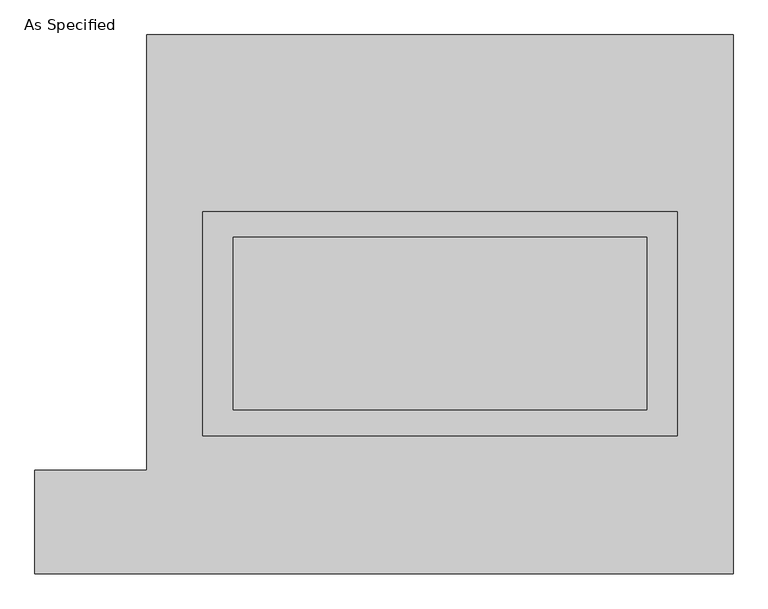
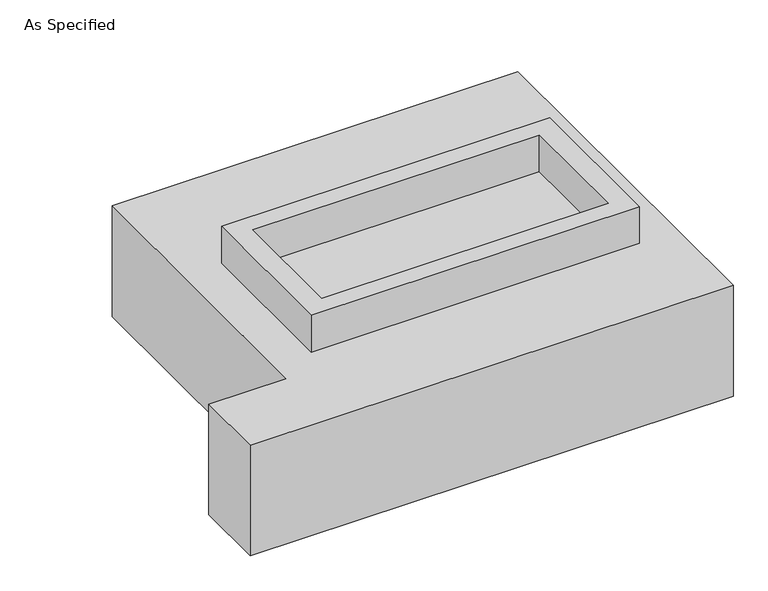
"""IFC4 building model written with IfcOpenShell, lengths in millimetres: proxy geometry, As Specified."""

import ifcopenshell
import ifcopenshell.guid

model = None  # the IFC model being written
_history = None  # IfcOwnerHistory: only IFC2X3 demands one
_inside = {}  # id of a spatial element -> (the spatial element, [elements in it])
_under = {}  # id of a project, library or spatial element -> (it, [spatial elements below it])
_declared = {}  # id of a project -> (the project, [libraries it declares])
_typed = {}  # id of a type object -> (the type object, [elements of that type])
_made_of = {}  # id of a material, layer set ... -> (it, [elements and type objects made of it])


def new_model(schema):
    """Start an empty IFC model of exactly this schema.

    Asked for "IFC4X3", IfcOpenShell would pick the latest addendum, in which some entities
    have other attributes; the version numbers below select the first issue.
    IFC2X3 requires an IfcOwnerHistory on every rooted entity: one is made here for all.
    """
    global model, _history
    if schema == "IFC4X3":
        model = ifcopenshell.file(schema_version=(4, 3, 0, 0))
    else:
        model = ifcopenshell.file(schema=schema)
    _inside.clear()
    _under.clear()
    _declared.clear()
    _typed.clear()
    _made_of.clear()
    _history = None
    if model.schema == "IFC2X3":
        org = make("IfcOrganization", Name="unknown")
        user = make(
            "IfcPersonAndOrganization",
            ThePerson=make("IfcPerson", FamilyName="unknown"),
            TheOrganization=org,
        )
        app = make(
            "IfcApplication",
            ApplicationDeveloper=org,
            Version="unknown",
            ApplicationFullName="unknown",
            ApplicationIdentifier="unknown",
        )
        _history = make(
            "IfcOwnerHistory",
            OwningUser=user,
            OwningApplication=app,
            ChangeAction="ADDED",
            CreationDate=0,
        )
    return model


def make(cls, **values):
    """One entity of the class cls with the attributes given. An attribute that is None is left unset."""
    return model.create_entity(
        cls, **{name: value for name, value in values.items() if value is not None}
    )


def rooted(cls, **values):
    """An entity with a GlobalId (a new one), such as an element, a storey or a relation."""
    return make(cls, GlobalId=ifcopenshell.guid.new(), OwnerHistory=_history, **values)


def si_unit(unit_type, name, prefix=None):
    """IfcSIUnit, for example si_unit("LENGTHUNIT", "METRE", prefix="MILLI")."""
    return make("IfcSIUnit", UnitType=unit_type, Prefix=prefix, Name=name)


def assignment(units):
    """IfcUnitAssignment: the units of a project."""
    return None if units is None else make("IfcUnitAssignment", Units=units)


def point(xyz):
    """IfcCartesianPoint."""
    return None if xyz is None else make("IfcCartesianPoint", Coordinates=xyz)


def direction(xyz):
    """IfcDirection."""
    return None if xyz is None else make("IfcDirection", DirectionRatios=xyz)


def frame(location, z_axis=None, x_axis=None):
    """IfcAxis2Placement3D, a coordinate frame: its origin and axes. An axis left out is left unset."""
    return make(
        "IfcAxis2Placement3D",
        Location=point(location),
        Axis=direction(z_axis),
        RefDirection=direction(x_axis),
    )


def origin():
    """The frame at (0, 0, 0) with its axes left unset."""
    return frame((0.0, 0.0, 0.0))


def place(relative_to, where):
    """IfcLocalPlacement: puts the frame where relative to a parent placement (None: the world)."""
    return make(
        "IfcLocalPlacement", PlacementRelTo=relative_to, RelativePlacement=where
    )


def context(
    kind, dimensions, precision=None, world=None, true_north=None, identifier=None
):
    """IfcGeometricRepresentationContext, for example the 3D "Model" context."""
    return make(
        "IfcGeometricRepresentationContext",
        ContextIdentifier=identifier,
        ContextType=kind,
        CoordinateSpaceDimension=dimensions,
        Precision=precision,
        WorldCoordinateSystem=world,
        TrueNorth=true_north,
    )


def project(units=None, contexts=None):
    """IfcProject with its units and contexts."""
    return rooted(
        "IfcProject",
        Name="project",
        RepresentationContexts=contexts,
        UnitsInContext=assignment(units),
    )


def spatial(cls, under=None, at=None, **own):
    """A site, building, storey or space (cls), placed at a placement, below another one or the project."""
    s = rooted(cls, ObjectPlacement=at, **own)
    if under is not None:
        _under.setdefault(under.id(), (under, []))[1].append(s)
    return s


def polyline(points):
    """IfcPolyline through the points."""
    return make("IfcPolyline", Points=[point(p) for p in points])


def outline(outer, holes=None, kind="AREA"):
    """IfcArbitraryClosedProfileDef: a profile drawn as a closed curve; with holes, ...WithVoids."""
    if holes is None:
        return make("IfcArbitraryClosedProfileDef", ProfileType=kind, OuterCurve=outer)
    return make(
        "IfcArbitraryProfileDefWithVoids",
        ProfileType=kind,
        OuterCurve=outer,
        InnerCurves=holes,
    )


def extrude(swept, where, along, depth):
    """IfcExtrudedAreaSolid: the profile swept, set in the frame where, extruded along a direction by depth."""
    return make(
        "IfcExtrudedAreaSolid",
        SweptArea=swept,
        Position=where,
        ExtrudedDirection=direction(along),
        Depth=depth,
    )


def faces_of(points, faces, orient=None, outer=None):
    """IfcFace entities. A face is a list of loops; a loop is a list of indices into points, from 0.

    orient and outer hold one flag for each loop. By default every Orientation is true, the
    first loop of a face is its IfcFaceOuterBound and the others are IfcFaceBound.
    """
    made = []
    for i, loops in enumerate(faces):
        bounds = []
        for j, loop in enumerate(loops):
            is_outer = j == 0 if outer is None else outer[i][j]
            bounds.append(
                make(
                    "IfcFaceOuterBound" if is_outer else "IfcFaceBound",
                    Bound=make("IfcPolyLoop", Polygon=[points[k] for k in loop]),
                    Orientation=True if orient is None else orient[i][j],
                )
            )
        made.append(make("IfcFace", Bounds=bounds))
    return made


def faceted_brep(points, faces, orient=None, outer=None, voids=None):
    """IfcFacetedBrep: a solid bounded by flat faces; with voids (closed shells), ...WithVoids."""
    shared = [point(p) for p in points]
    hull = make("IfcClosedShell", CfsFaces=faces_of(shared, faces, orient, outer))
    if voids is None:
        return make("IfcFacetedBrep", Outer=hull)
    return make(
        "IfcFacetedBrepWithVoids",
        Outer=hull,
        Voids=[
            make(cls, CfsFaces=faces_of(shared, fs, o, b)) for cls, fs, o, b in voids
        ],
    )


def shape(context_of_items, identifier, shape_type, items):
    """IfcShapeRepresentation: the items that make up one representation, for example the "Body"."""
    return make(
        "IfcShapeRepresentation",
        ContextOfItems=context_of_items,
        RepresentationIdentifier=identifier,
        RepresentationType=shape_type,
        Items=items,
    )


def source(mapping_origin, context_of_items, identifier, shape_type, items):
    """IfcRepresentationMap: a shape defined once, which mapped items show again and again."""
    return make(
        "IfcRepresentationMap",
        MappingOrigin=mapping_origin,
        MappedRepresentation=shape(context_of_items, identifier, shape_type, items),
    )


def transform(
    local_origin,
    x_axis=None,
    y_axis=None,
    z_axis=None,
    scale=None,
    scale2=None,
    scale3=None,
    uniform=True,
):
    """IfcCartesianTransformationOperator3D, or its non-uniform kind. x_axis, y_axis, z_axis: its Axis1, 2, 3."""
    if uniform:
        return make(
            "IfcCartesianTransformationOperator3D",
            Axis1=direction(x_axis),
            Axis2=direction(y_axis),
            LocalOrigin=point(local_origin),
            Scale=scale,
            Axis3=direction(z_axis),
        )
    return make(
        "IfcCartesianTransformationOperator3DnonUniform",
        Axis1=direction(x_axis),
        Axis2=direction(y_axis),
        LocalOrigin=point(local_origin),
        Scale=scale,
        Axis3=direction(z_axis),
        Scale2=scale2,
        Scale3=scale3,
    )


def mapped(mapping_source, mapping_target):
    """IfcMappedItem: shows the shape of a source again, moved by a transform."""
    return make(
        "IfcMappedItem", MappingSource=mapping_source, MappingTarget=mapping_target
    )


def made_of(thing, what):
    """Note that an element or type object is made of a material, layer set ...; save() writes the relation."""
    if what is not None:
        _made_of.setdefault(what.id(), (what, []))[1].append(thing)
    return thing


def element(
    cls,
    number,
    at=None,
    inside=None,
    cuts=None,
    type_object=None,
    material=None,
    context=None,
    identifier="Body",
    shape_type=None,
    held_by="IfcProductDefinitionShape",
    body=None,
    shapes=None,
    **own,
):
    """One element of the class cls, such as IfcWall. Its Tag is "e" and its number.

    at: its placement. inside: the storey or other place that contains it. cuts: it is an
    opening in that element (IfcRelVoidsElement). A single representation is given by context,
    identifier, shape_type and body (its items); several are given by shapes. held_by: the class
    of the entity that holds the representations. save() writes the other relations.
    """
    e = rooted(cls, Tag="e%d" % number, ObjectPlacement=at, **own)
    if body is not None:
        shapes = [shape(context, identifier, shape_type, body)]
    if shapes is not None:
        e.Representation = make(held_by, Representations=shapes)
    if inside is not None:
        _inside.setdefault(inside.id(), (inside, []))[1].append(e)
    if cuts is not None:
        rooted(
            "IfcRelVoidsElement", RelatingBuildingElement=cuts, RelatedOpeningElement=e
        )
    if type_object is not None:
        _typed.setdefault(type_object.id(), (type_object, []))[1].append(e)
    return made_of(e, material)


def aggregate(whole, parts):
    """IfcRelAggregates: a whole, such as a stair, and the parts it consists of."""
    return rooted("IfcRelAggregates", RelatingObject=whole, RelatedObjects=parts)


def save(model, path):
    """Write the relations noted so far, then the file.

    IfcRelAggregates (storeys below a building ...), IfcRelContainedInSpatialStructure (elements
    in a storey), IfcRelDefinesByType, IfcRelAssociatesMaterial and IfcRelDeclares: one each for
    every whole, place, type object, material and project.
    """
    for whole, parts in _under.values():
        aggregate(whole, parts)
    for where, things in _inside.values():
        rooted(
            "IfcRelContainedInSpatialStructure",
            RelatedElements=things,
            RelatingStructure=where,
        )
    for kind, things in _typed.values():
        rooted("IfcRelDefinesByType", RelatedObjects=things, RelatingType=kind)
    for what, things in _made_of.values():
        rooted("IfcRelAssociatesMaterial", RelatedObjects=things, RelatingMaterial=what)
    for by, libraries in _declared.values():
        rooted("IfcRelDeclares", RelatingContext=by, RelatedDefinitions=libraries)
    model.write(path)


def as_specified_9fea9c3b(model_context):
    return source(origin(), model_context, "Body", "SolidModel", [
        extrude(outline(polyline([(698.5, 273.05), (698.5, -387.35), (-698.5, -387.35), (-698.5, 273.05), (698.5, 273.05)]), holes=[polyline([(609.6, 196.85), (-609.6, 196.85), (-609.6, -311.15), (609.6, -311.15), (609.6, 196.85)])]), frame((0.0, 0.0, -25.4), z_axis=(0.0, 0.0, 1.0), x_axis=(1.0, 0.0, 0.0)), (0.0, 0.0, 1.0), 165.1),
        extrude(outline(polyline([(609.6, 196.85), (609.6, -311.15), (-609.6, -311.15), (-609.6, 196.85), (609.6, 196.85)])), frame((0.0, 0.0, -30.3609375), z_axis=(0.0, 0.0, 1.0), x_axis=(1.0, 0.0, 0.0)), (0.0, 0.0, 1.0), 4.9609375),
        faceted_brep([(-863.6, 793.75, -523.875), (863.6, 793.75, -523.875), (863.6, -793.75, -523.875), (-1193.8, -793.75, -523.875), (-1193.8, -488.95, -523.875), (-863.6, -488.95, -523.875), (863.6, 793.75, -25.4), (-863.6, 793.75, -25.4), (-863.6, -488.95, -25.4), (-1193.8, -488.95, -25.4), (-1193.8, -793.75, -25.4), (863.6, -793.75, -25.4), (-698.5, -387.35, -25.4), (-698.5, 273.05, -25.4), (698.5, 273.05, -25.4), (698.5, -387.35, -25.4), (698.5, 273.05, -498.475), (-698.5, 273.05, -498.475), (-698.5, -387.35, -498.475), (698.5, -387.35, -498.475)], [[[0, 1, 2, 3, 4, 5]], [[6, 7, 8, 9, 10, 11], [12, 13, 14, 15]], [[1, 0, 7, 6]], [[7, 0, 5, 8]], [[1, 6, 11, 2]], [[16, 17, 18, 19]], [[18, 17, 13, 12]], [[17, 16, 14, 13]], [[16, 19, 15, 14]], [[12, 15, 19, 18]], [[3, 2, 11, 10]], [[4, 9, 8, 5]], [[4, 3, 10, 9]]]),
    ])


if __name__ == "__main__":
    model = new_model("IFC4")
    model_context = context("Model", 3, world=origin())
    ifc_project = project(units=[si_unit("LENGTHUNIT", "METRE", prefix="MILLI")], contexts=[model_context])
    site = spatial("IfcSite", under=ifc_project)
    building = spatial("IfcBuilding", under=site)
    placement = place(None, origin())
    as_specified_shape = as_specified_9fea9c3b(model_context)
    element("IfcBuildingElementProxy", 1, Name="As Specified", ObjectType="As Specified", at=placement, inside=building, context=model_context, shape_type="MappedRepresentation", body=[
        mapped(as_specified_shape, transform((0.0, 0.0, 0.0), x_axis=(1.0, 0.0, 0.0), y_axis=(0.0, 1.0, 0.0), z_axis=(0.0, 0.0, 1.0))),
    ])
    save(model, "model.ifc")
